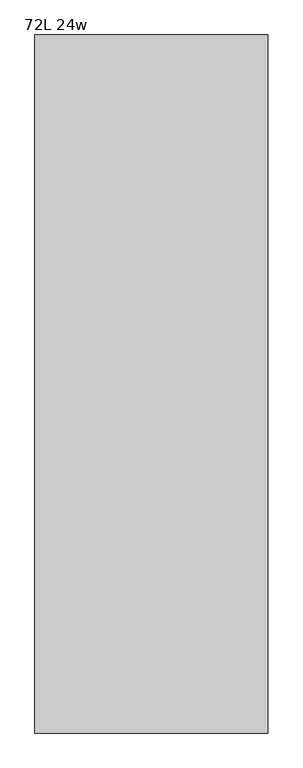
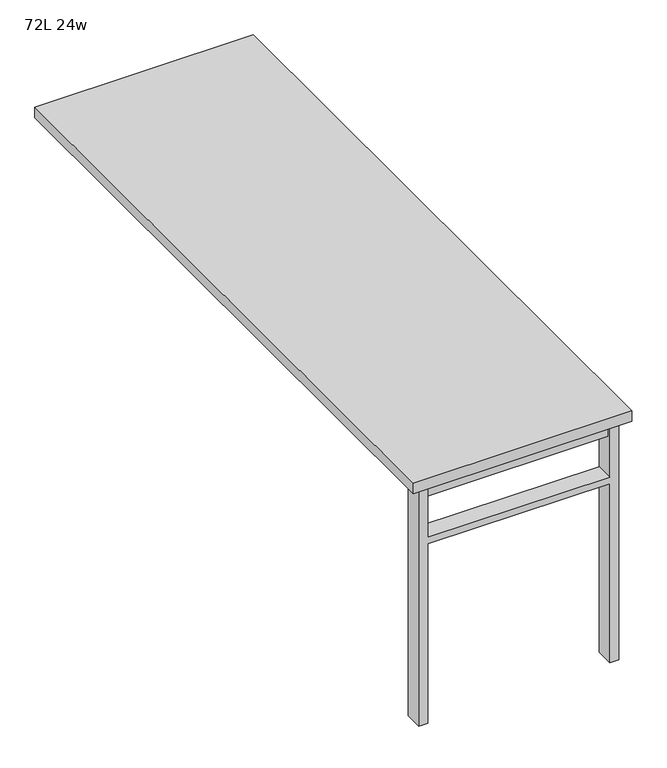
"""IFC4 building model written with IfcOpenShell, lengths in millimetres: furniture geometry, 72L 24w."""

from ifc_helpers import new_model, si_unit, frame, origin, place, context, project, spatial, polyline, outline, extrude, source, transform, mapped, element, save


def furniture_72l_24w_c449ccbc(model_context):
    return source(origin(), model_context, "Body", "SweptSolid", [
        extrude(outline(polyline([(-254.0, -854.075), (254.0, -854.075), (254.0, -885.825), (-254.0, -885.825), (-254.0, -854.075)])), frame((0.0, 0.0, 661.9875), z_axis=(0.0, 0.0, 1.0), x_axis=(1.0, 0.0, 0.0)), (0.0, 0.0, 1.0), 44.45),
        extrude(outline(polyline([(528.6375, 254.0), (0.0, 254.0), (0.0, 279.4), (706.4375, 279.4), (706.4375, 254.0), (547.6875, 254.0), (547.6875, -254.0), (706.4375, -254.0), (706.4375, -279.4), (0.0, -279.4), (0.0, -254.0), (528.6375, -254.0), (528.6375, 254.0)])), frame((0.0, -895.35, 0.0), z_axis=(0.0, 1.0, 0.0), x_axis=(0.0, 0.0, 1.0)), (0.0, 0.0, 1.0), 50.8),
        extrude(outline(polyline([(-304.8, -914.4), (-304.8, 914.4), (304.8, 914.4), (304.8, -914.4), (-304.8, -914.4)])), frame((0.0, 0.0, 706.4375), z_axis=(0.0, 0.0, 1.0), x_axis=(1.0, 0.0, 0.0)), (0.0, 0.0, 1.0), 30.1625),
    ])


if __name__ == "__main__":
    model = new_model("IFC4")
    model_context = context("Model", 3, world=origin())
    ifc_project = project(units=[si_unit("LENGTHUNIT", "METRE", prefix="MILLI")], contexts=[model_context])
    site = spatial("IfcSite", under=ifc_project)
    building = spatial("IfcBuilding", under=site)
    placement = place(None, origin())
    furniture_72l_24w_shape = furniture_72l_24w_c449ccbc(model_context)
    element("IfcFurniture", 1, ObjectType="72L 24w", at=placement, inside=building, context=model_context, shape_type="MappedRepresentation", body=[
        mapped(furniture_72l_24w_shape, transform((0.0, 0.0, 0.0), x_axis=(1.0, 0.0, 0.0), y_axis=(0.0, 1.0, 0.0), z_axis=(0.0, 0.0, 1.0))),
    ])
    save(model, "model.ifc")
